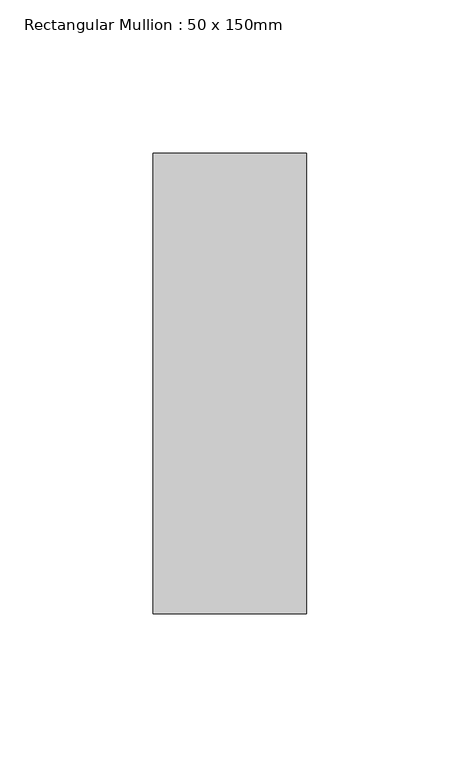
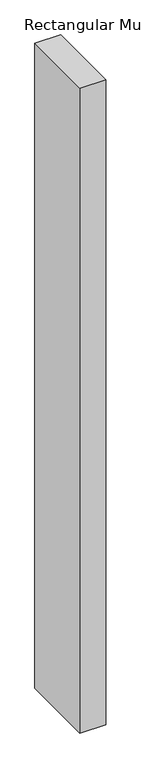
"""IFC4 building model written with IfcOpenShell, lengths in millimetres: member geometry, Rectangular Mullion : 50 x 150mm."""

from ifc_helpers import new_model, si_unit, frame, origin, place, context, project, spatial, polyline, outline, extrude, source, transform, mapped, element, save


def rectangular_mullion_50_x_150mm_2bfbab06(model_context):
    return source(origin(), model_context, "Body", "SweptSolid", [
        extrude(outline(polyline([(0.0, 75.0), (0.0, -75.0), (-50.0, -75.0), (-50.0, 75.0), (0.0, 75.0)])), frame((0.0, 0.0, -1315.625), z_axis=(0.0, 0.0, 1.0), x_axis=(1.0, 0.0, 0.0)), (0.0, 0.0, 1.0), 1315.625),
    ])


if __name__ == "__main__":
    model = new_model("IFC4")
    model_context = context("Model", 3, world=origin())
    ifc_project = project(units=[si_unit("LENGTHUNIT", "METRE", prefix="MILLI")], contexts=[model_context])
    site = spatial("IfcSite", under=ifc_project)
    building = spatial("IfcBuilding", under=site)
    placement = place(None, origin())
    rectangular_mullion_50_x_150mm_shape = rectangular_mullion_50_x_150mm_2bfbab06(model_context)
    element("IfcMember", 1, ObjectType="Rectangular Mullion : 50 x 150mm", at=placement, inside=building, context=model_context, shape_type="MappedRepresentation", body=[
        mapped(rectangular_mullion_50_x_150mm_shape, transform((0.0, 0.0, 0.0), x_axis=(1.0, 0.0, 0.0), y_axis=(0.0, 1.0, 0.0), z_axis=(0.0, 0.0, 1.0))),
    ])
    save(model, "model.ifc")
